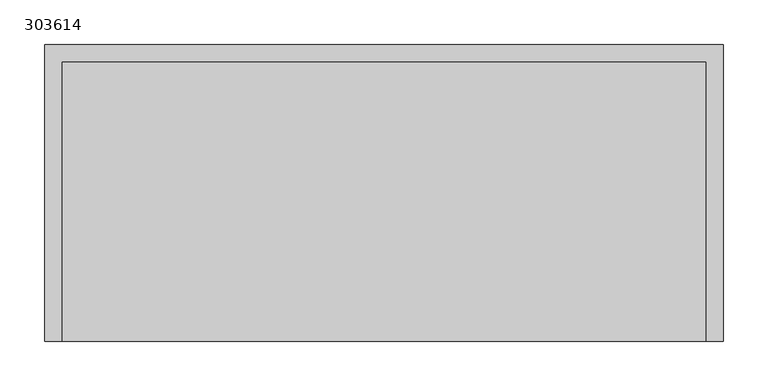
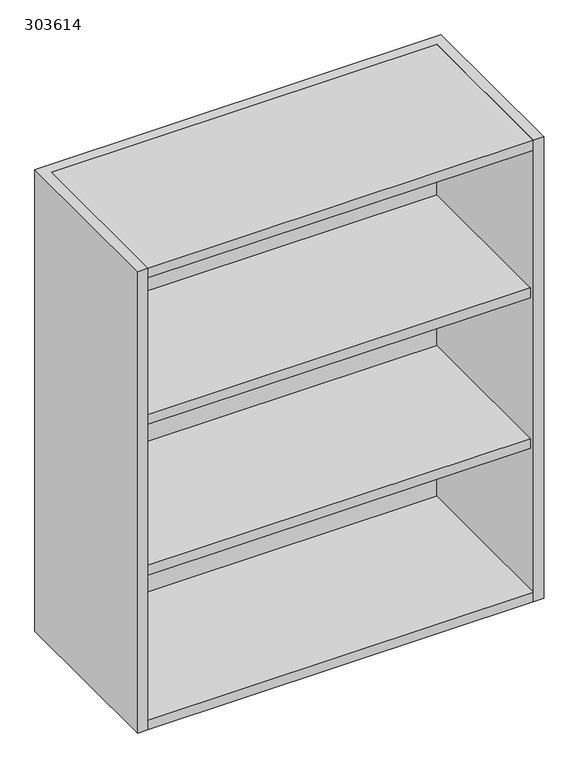
"""IFC4 building model written with IfcOpenShell, lengths in millimetres: furniture geometry, 303614."""

from ifc_helpers import new_model, si_unit, frame, origin, place, context, project, spatial, polyline, outline, extrude, source, transform, mapped, element, save


def furniture_303614_10ad1c1b(model_context):
    return source(origin(), model_context, "Body", "SweptSolid", [
        extrude(outline(polyline([(361.8, -397.1), (361.8, -82.7), (-361.8, -82.7), (-361.8, -397.1), (-381.0, -397.1), (-381.0, -63.5), (381.0, -63.5), (381.0, -397.1), (361.8, -397.1)])), frame((0.0, 0.0, 1219.2), z_axis=(0.0, 0.0, 1.0), x_axis=(1.0, 0.0, 0.0)), (0.0, 0.0, 1.0), 914.4),
        extrude(outline(polyline([(361.8, -82.7), (361.8, -387.1), (-361.8, -387.1), (-361.8, -82.7), (361.8, -82.7)])), frame((0.0, 0.0, 1816.0), z_axis=(0.0, 0.0, 1.0), x_axis=(1.0, 0.0, 0.0)), (0.0, 0.0, 1.0), 19.2),
        extrude(outline(polyline([(361.8, -82.7), (361.8, -387.1), (-361.8, -387.1), (-361.8, -82.7), (361.8, -82.7)])), frame((0.0, 0.0, 1517.6), z_axis=(0.0, 0.0, 1.0), x_axis=(1.0, 0.0, 0.0)), (0.0, 0.0, 1.0), 19.2),
        extrude(outline(polyline([(361.8, -397.1), (-361.8, -397.1), (-361.8, -82.7), (361.8, -82.7), (361.8, -397.1)])), frame((0.0, 0.0, 2114.4), z_axis=(0.0, 0.0, 1.0), x_axis=(1.0, 0.0, 0.0)), (0.0, 0.0, 1.0), 19.2),
        extrude(outline(polyline([(361.8, -397.1), (-361.8, -397.1), (-361.8, -82.7), (361.8, -82.7), (361.8, -397.1)])), frame((0.0, 0.0, 1219.2), z_axis=(0.0, 0.0, 1.0), x_axis=(1.0, 0.0, 0.0)), (0.0, 0.0, 1.0), 19.2),
    ])


if __name__ == "__main__":
    model = new_model("IFC4")
    model_context = context("Model", 3, world=origin())
    ifc_project = project(units=[si_unit("LENGTHUNIT", "METRE", prefix="MILLI")], contexts=[model_context])
    site = spatial("IfcSite", under=ifc_project)
    building = spatial("IfcBuilding", under=site)
    placement = place(None, origin())
    furniture_303614_shape = furniture_303614_10ad1c1b(model_context)
    element("IfcFurniture", 1, ObjectType="303614", at=placement, inside=building, context=model_context, shape_type="MappedRepresentation", body=[
        mapped(furniture_303614_shape, transform((0.0, 0.0, 0.0), x_axis=(1.0, 0.0, 0.0), y_axis=(0.0, 1.0, 0.0), z_axis=(0.0, 0.0, 1.0))),
    ])
    save(model, "model.ifc")
